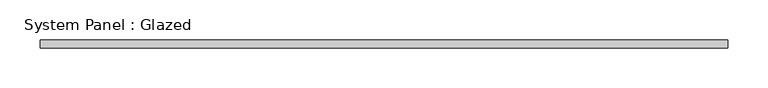
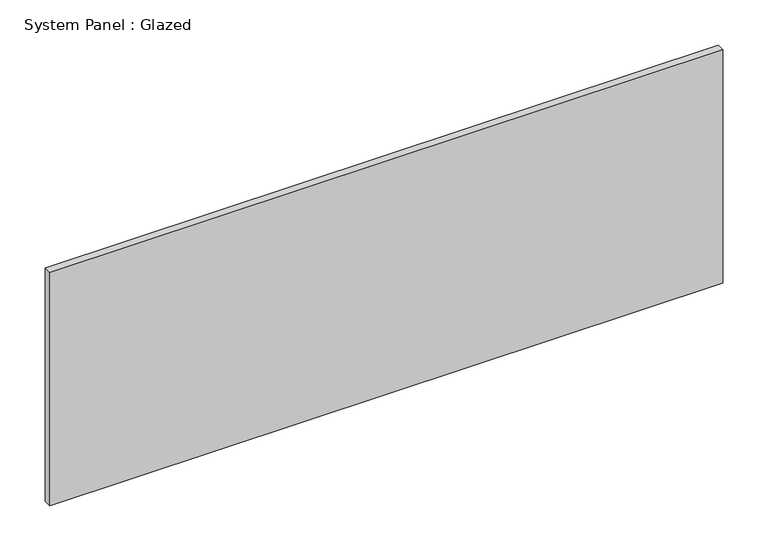
"""IFC4 building model written with IfcOpenShell, lengths in millimetres: plate geometry, System Panel : Glazed."""

from ifc_helpers import new_model, si_unit, origin, origin_with_axes, place, context, project, spatial, polyline, outline, extrude, source, transform, mapped, element, save


def system_panel_glazed_4ddea22b(model_context):
    return source(origin(), model_context, "Body", "SweptSolid", [
        extrude(outline(polyline([(429.2316806, -5.0), (-429.2316806, -5.0), (-429.2316806, 5.0), (429.2316806, 5.0), (429.2316806, -5.0)])), origin_with_axes(), (0.0, 0.0, 1.0), 315.0),
    ])


if __name__ == "__main__":
    model = new_model("IFC4")
    model_context = context("Model", 3, world=origin())
    ifc_project = project(units=[si_unit("LENGTHUNIT", "METRE", prefix="MILLI")], contexts=[model_context])
    site = spatial("IfcSite", under=ifc_project)
    building = spatial("IfcBuilding", under=site)
    placement = place(None, origin())
    system_panel_glazed_shape = system_panel_glazed_4ddea22b(model_context)
    element("IfcPlate", 1, ObjectType="System Panel : Glazed", at=placement, inside=building, context=model_context, shape_type="MappedRepresentation", body=[
        mapped(system_panel_glazed_shape, transform((0.0, 0.0, 0.0), x_axis=(1.0, 0.0, 0.0), y_axis=(0.0, 1.0, 0.0), z_axis=(0.0, 0.0, 1.0))),
    ])
    save(model, "model.ifc")
